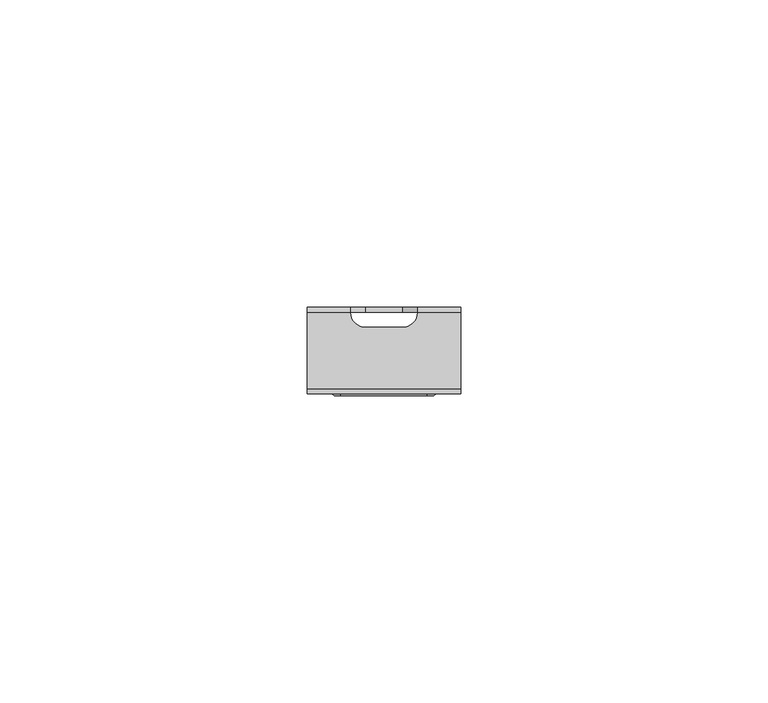
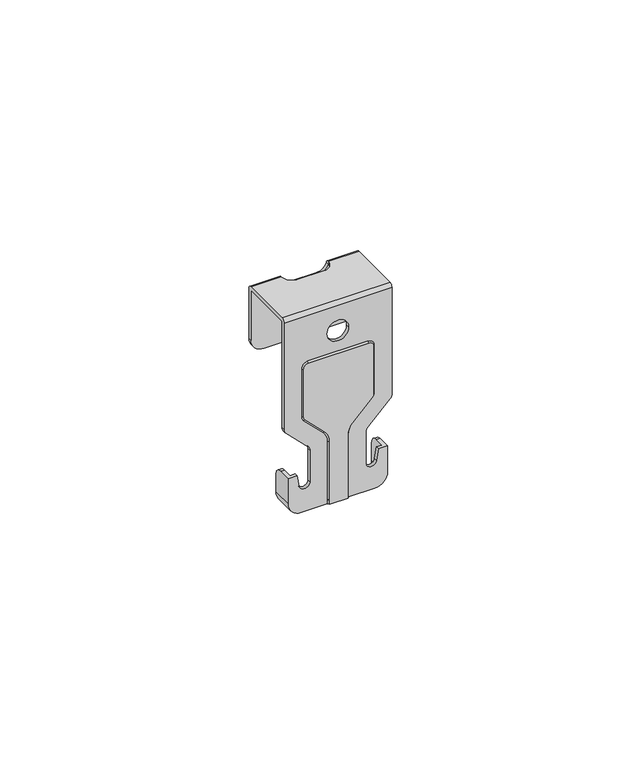
"""IFC4 building model written with IfcOpenShell, lengths in millimetres: proxy geometry."""

from ifc_helpers import new_model, si_unit, frame, origin, place, context, project, spatial, polyline, circle_curve, source, transform, mapped, element, save
from ifc_brep_helpers import plane_surface, cylinder_surface, revolved_surface, advanced_brep


def mechanical_equipment_062a8888(model_context):
    return source(origin(), model_context, "Body", "AdvancedBrep", [
        advanced_brep(
        [(12.5, 7.05, 38.0), (12.5, 6.25, 38.8), (12.5, -6.25, 38.8), (12.5, -7.05, 38.0), (12.5, -7.05, 11.9213203), (12.5, -6.25, 11.9213203), (12.5, -6.25, 38.0), (12.5, 6.25, 38.0), (12.5, 6.25, 25.7), (12.5, 7.05, 25.7), (-12.5, -7.05, 38.0), (-12.5, -6.25, 38.8), (-12.5, 6.25, 38.8), (-12.5, 7.05, 38.0), (-12.5, 7.05, 25.7), (-12.5, 6.25, 25.7), (-12.5, 6.25, 38.0), (-12.5, -6.25, 38.0), (-12.5, -6.25, 11.9213203), (-12.5, -7.05, 11.9213203), (-3.0, 3.75, 38.0), (3.0, 3.75, 38.0), (5.5, 6.25, 38.0), (-5.5, 6.25, 38.0), (5.5, 7.05, 38.0), (5.5, 6.25, 38.8), (-5.5, 6.25, 38.8), (-5.5, 7.05, 38.0), (3.0, 3.75, 38.8), (-3.0, 3.75, 38.8), (9.5, 7.05, 22.7), (-9.5, 7.05, 22.7), (-3.0, 7.05, 36.3), (3.0, 7.05, 36.3), (-2.5, 7.05, 27.9), (2.5, 7.05, 27.9), (3.0, 6.25, 36.3), (-3.0, 6.25, 36.3), (-9.5, 6.25, 22.7), (9.5, 6.25, 22.7), (-2.5, 6.25, 27.9), (2.5, 6.25, 27.9), (12.0606602, -6.25, 10.8606602), (6.9393398, -6.25, 5.7393398), (6.5, -6.25, 4.6786797), (6.5, -6.25, -2.95), (8.9810097, -6.25, -3.1670602), (9.4512848, -6.25, -0.4999976), (10.7, -6.25, -0.4999976), (10.7, -6.25, -6.8), (8.5, -6.25, -9.0), (3.5, -6.25, -9.0), (3.5, -6.25, 5.5071068), (4.232233, -6.25, 7.2748737), (8.767767, -6.25, 11.8104076), (9.5, -6.25, 13.5781746), (9.5, -6.25, 25.3), (7.0, -6.25, 27.8), (-7.0, -6.25, 27.8), (-9.5, -6.25, 25.3), (-9.5, -6.25, 13.5781746), (-8.767767, -6.25, 11.8104076), (-4.232233, -6.25, 7.2748737), (-3.5, -6.25, 5.5071068), (-3.5, -6.25, -9.0), (-8.5, -6.25, -9.0), (-10.7, -6.25, -6.8), (-10.7, -6.25, -0.4999976), (-9.4512848, -6.25, -0.4999976), (-8.9810097, -6.25, -3.1670602), (-6.5, -6.25, -2.95), (-6.5, -6.25, 4.6786797), (-6.9393398, -6.25, 5.7393398), (-12.0606602, -6.25, 10.8606602), (-2.5, -6.25, 31.8), (2.5, -6.25, 31.8), (-12.0606602, -7.05, 10.8606602), (-6.9393398, -7.05, 5.7393398), (-6.5, -7.05, 4.6786797), (-6.5, -7.05, -2.95), (-8.9810097, -7.05, -3.1670602), (-9.4512848, -7.05, -0.4999976), (8.9810097, -7.05, -3.1670602), (9.4512848, -7.05, -0.4999976), (6.5, -7.05, -2.95), (2.5, -7.05, 31.8), (-2.5, -7.05, 31.8), (6.5, -7.05, 4.6786797), (6.9393398, -7.05, 5.7393398), (12.0606602, -7.05, 10.8606602), (-11.5, -7.05, -6.8), (-8.5, -7.05, -9.8), (-2.4818182, -7.05, -9.8), (-2.4818182, -7.05, 5.5071068), (-3.5122698, -7.05, 7.994837), (-8.0478037, -7.05, 12.5303709), (-8.4818182, -7.05, 13.5781746), (-8.4818182, -7.05, 25.3), (-7.0, -7.05, 26.7818182), (7.0, -7.05, 26.7818182), (8.4818182, -7.05, 25.3), (8.4818182, -7.05, 13.5781746), (8.0478037, -7.05, 12.5303709), (3.5122698, -7.05, 7.994837), (2.4818182, -7.05, 5.5071068), (2.4818182, -7.05, -9.8), (8.5, -7.05, -9.8), (11.5, -7.05, -6.8), (11.5, -7.05, -0.4999976), (-11.5, -7.05, -0.4999976), (-10.7, -2.05, -6.8), (-8.5, -2.05, -9.0), (8.5, -2.05, -9.0), (10.7, -2.05, -6.8), (10.7, -2.05, -2.4999976), (11.5, -2.05, -2.4999976), (11.5, -2.05, -6.8), (8.5, -2.05, -9.8), (-8.5, -2.05, -9.8), (-11.5, -2.05, -6.8), (-11.5, -2.05, -2.4999976), (-10.7, -2.05, -2.4999976), (-11.5, -6.25, -6.8), (2.1, -7.35, -9.8), (-2.1, -7.35, -9.8), (11.5, -6.25, -6.8), (11.5, -4.05, -0.4999976), (10.7, -4.05, -0.4999976), (-2.1, -7.05, -9.0), (2.1, -7.05, -9.0), (-10.7, -4.05, -0.4999976), (-11.5, -4.05, -0.4999976), (-2.1, -7.35, 5.5071068), (2.1, -7.35, 5.5071068), (3.2422836, -7.35, 8.2648232), (7.7778175, -7.35, 12.8003571), (8.1, -7.35, 13.5781746), (8.1, -7.35, 25.3), (7.0, -7.35, 26.4), (-7.0, -7.35, 26.4), (-8.1, -7.35, 25.3), (-8.1, -7.35, 13.5781746), (-7.7778175, -7.35, 12.8003571), (-3.2422836, -7.35, 8.2648232), (-2.1, -7.05, 5.5071068), (-3.2422836, -7.05, 8.2648232), (-7.7778175, -7.05, 12.8003571), (-8.1, -7.05, 13.5781746), (-8.1, -7.05, 25.3), (-7.0, -7.05, 26.4), (7.0, -7.05, 26.4), (8.1, -7.05, 25.3), (8.1, -7.05, 13.5781746), (7.7778175, -7.05, 12.8003571), (3.2422836, -7.05, 8.2648232), (2.1, -7.05, 5.5071068)],
        [
            (0, 1, circle_curve(frame((12.5, 6.25, 38.0), z_axis=(1.0, 0.0, 0.0), x_axis=(0.0, 1.0, 0.0)), 0.8)),
            (1, 2),
            (2, 3, circle_curve(frame((12.5, -6.25, 38.0), z_axis=(1.0, 0.0, 0.0), x_axis=(0.0, 1.0, 0.0)), 0.8)),
            (3, 4),
            (4, 5),
            (5, 6),
            (6, 7),
            (7, 8),
            (8, 9),
            (9, 0),
            (10, 11, circle_curve(frame((-12.5, -6.25, 38.0), z_axis=(-1.0, 0.0, 0.0), x_axis=(0.0, 1.0, 0.0)), 0.8)),
            (11, 12),
            (12, 13, circle_curve(frame((-12.5, 6.25, 38.0), z_axis=(-1.0, 0.0, 0.0), x_axis=(0.0, 1.0, 0.0)), 0.8)),
            (13, 14),
            (14, 15),
            (15, 16),
            (16, 17),
            (17, 18),
            (18, 19),
            (19, 10),
            (20, 21),
            (21, 22, circle_curve(frame((3.0, 6.25, 38.0), z_axis=(0.0, 0.0, 1.0), x_axis=(1.0, 0.0, 0.0)), 2.5)),
            (22, 7),
            (6, 17),
            (16, 23),
            (23, 20, circle_curve(frame((-3.0, 6.25, 38.0), z_axis=(0.0, 0.0, 1.0), x_axis=(1.0, 0.0, 0.0)), 2.5)),
            (0, 24),
            (24, 25, circle_curve(frame((5.5, 6.25, 38.0), z_axis=(1.0, 0.0, 0.0), x_axis=(0.0, 1.0, 0.0)), 0.8)),
            (25, 1),
            (12, 26),
            (26, 27, circle_curve(frame((-5.5, 6.25, 38.0), z_axis=(-1.0, 0.0, 0.0), x_axis=(0.0, 1.0, 0.0)), 0.8)),
            (27, 13),
            (25, 28, circle_curve(frame((3.0, 6.25, 38.8), z_axis=(0.0, 0.0, -1.0), x_axis=(1.0, 0.0, 0.0)), 2.5)),
            (28, 29),
            (29, 26, circle_curve(frame((-3.0, 6.25, 38.8), z_axis=(0.0, 0.0, -1.0), x_axis=(1.0, 0.0, 0.0)), 2.5)),
            (11, 2),
            (10, 3),
            (28, 21),
            (20, 29),
            (22, 25),
            (24, 22),
            (26, 23),
            (23, 27),
            (9, 30, circle_curve(frame((9.5, 7.05, 25.7), z_axis=(0.0, 1.0, 0.0), x_axis=(-1.0, 0.0, 0.0)), 3.0)),
            (30, 31),
            (31, 14, circle_curve(frame((-9.5, 7.05, 25.7), z_axis=(0.0, 1.0, 0.0), x_axis=(-1.0, 0.0, 0.0)), 3.0)),
            (27, 32, circle_curve(frame((-3.0, 7.05, 38.9882353), z_axis=(0.0, -1.0, 0.0), x_axis=(-1.0, 0.0, 0.0)), 2.6882353)),
            (32, 33),
            (33, 24, circle_curve(frame((3.0, 7.05, 38.9882353), z_axis=(0.0, -1.0, 0.0), x_axis=(-1.0, 0.0, 0.0)), 2.6882353)),
            (34, 35, circle_curve(frame((0.0, 7.05, 27.9), z_axis=(0.0, -1.0, 0.0), x_axis=(1.0, 0.0, 0.0)), 2.5)),
            (35, 34, circle_curve(frame((0.0, 7.05, 27.9), z_axis=(0.0, -1.0, 0.0), x_axis=(1.0, 0.0, 0.0)), 2.5)),
            (22, 36, circle_curve(frame((3.0, 6.25, 38.9882353), z_axis=(0.0, 1.0, 0.0), x_axis=(-1.0, 0.0, 0.0)), 2.6882353)),
            (36, 37),
            (37, 23, circle_curve(frame((-3.0, 6.25, 38.9882353), z_axis=(0.0, 1.0, 0.0), x_axis=(-1.0, 0.0, 0.0)), 2.6882353)),
            (15, 38, circle_curve(frame((-9.5, 6.25, 25.7), z_axis=(0.0, -1.0, 0.0), x_axis=(-1.0, 0.0, 0.0)), 3.0)),
            (38, 39),
            (39, 8, circle_curve(frame((9.5, 6.25, 25.7), z_axis=(0.0, -1.0, 0.0), x_axis=(-1.0, 0.0, 0.0)), 3.0)),
            (40, 41, circle_curve(frame((0.0, 6.25, 27.9), z_axis=(0.0, 1.0, 0.0), x_axis=(1.0, 0.0, 0.0)), 2.5)),
            (41, 40, circle_curve(frame((0.0, 6.25, 27.9), z_axis=(0.0, 1.0, 0.0), x_axis=(1.0, 0.0, 0.0)), 2.5)),
            (31, 38),
            (30, 39),
            (35, 41),
            (40, 34),
            (32, 37),
            (36, 33),
            (5, 42, circle_curve(frame((11.0, -6.25, 11.9213203), z_axis=(0.0, 1.0, 0.0), x_axis=(-1.0, 0.0, 0.0)), 1.5)),
            (42, 43),
            (43, 44, circle_curve(frame((8.0, -6.25, 4.6786797), z_axis=(0.0, -1.0, 0.0), x_axis=(-1.0, 0.0, 0.0)), 1.5)),
            (44, 45),
            (45, 46, circle_curve(frame((7.75, -6.25, -2.95), z_axis=(0.0, -1.0, 0.0), x_axis=(1.0, 0.0, 0.0)), 1.25)),
            (46, 47),
            (47, 48),
            (48, 49),
            (49, 50, circle_curve(frame((8.5, -6.25, -6.8), z_axis=(0.0, 1.0, 0.0), x_axis=(1.0, 0.0, 0.0)), 2.2)),
            (50, 51),
            (51, 52),
            (52, 53, circle_curve(frame((6.0, -6.25, 5.5071068), z_axis=(0.0, 1.0, 0.0), x_axis=(-1.0, 0.0, 0.0)), 2.5)),
            (53, 54),
            (54, 55, circle_curve(frame((7.0, -6.25, 13.5781746), z_axis=(0.0, -1.0, 0.0), x_axis=(0.707106781186543, 0.0, -0.7071067811865519)), 2.5)),
            (55, 56),
            (56, 57, circle_curve(frame((7.0, -6.25, 25.3), z_axis=(0.0, -1.0, 0.0), x_axis=(1.0, 0.0, 0.0)), 2.5)),
            (57, 58),
            (58, 59, circle_curve(frame((-7.0, -6.25, 25.3), z_axis=(0.0, -1.0, 0.0), x_axis=(0.0, 0.0, 1.0)), 2.5)),
            (59, 60),
            (60, 61, circle_curve(frame((-7.0, -6.25, 13.5781746), z_axis=(0.0, -1.0, 0.0), x_axis=(-1.0, 0.0, 0.0)), 2.5)),
            (61, 62),
            (62, 63, circle_curve(frame((-6.0, -6.25, 5.5071068), z_axis=(0.0, 1.0, 0.0), x_axis=(0.7071067811865474, 0.0, 0.7071067811865476)), 2.5)),
            (63, 64),
            (64, 65),
            (65, 66, circle_curve(frame((-8.5, -6.25, -6.8), z_axis=(0.0, 1.0, 0.0), x_axis=(1.0, 0.0, 0.0)), 2.2)),
            (66, 67),
            (67, 68),
            (68, 69),
            (69, 70, circle_curve(frame((-7.75, -6.25, -2.95), z_axis=(0.0, -1.0, 0.0), x_axis=(1.0, 0.0, 0.0)), 1.25)),
            (70, 71),
            (71, 72, circle_curve(frame((-8.0, -6.25, 4.6786797), z_axis=(0.0, -1.0, 0.0), x_axis=(1.0, 0.0, 0.0)), 1.5)),
            (72, 73),
            (73, 18, circle_curve(frame((-11.0, -6.25, 11.9213203), z_axis=(0.0, 1.0, 0.0), x_axis=(1.0, 0.0, 0.0)), 1.5)),
            (74, 75, circle_curve(frame((0.0, -6.25, 31.8), z_axis=(0.0, -1.0, 0.0), x_axis=(1.0, 0.0, 0.0)), 2.5)),
            (75, 74, circle_curve(frame((0.0, -6.25, 31.8), z_axis=(0.0, -1.0, 0.0), x_axis=(1.0, 0.0, 0.0)), 2.5)),
            (73, 76),
            (76, 19, circle_curve(frame((-11.0, -7.05, 11.9213203), z_axis=(0.0, 1.0, 0.0), x_axis=(1.0, 0.0, 0.0)), 1.5)),
            (72, 77),
            (77, 76),
            (71, 78),
            (78, 77, circle_curve(frame((-8.0, -7.05, 4.6786797), z_axis=(0.0, -1.0, 0.0), x_axis=(1.0, 0.0, 0.0)), 1.5)),
            (70, 79),
            (79, 78),
            (69, 80),
            (80, 79, circle_curve(frame((-7.75, -7.05, -2.95), z_axis=(0.0, -1.0, 0.0), x_axis=(1.0, 0.0, 0.0)), 1.25)),
            (68, 81),
            (81, 80),
            (46, 82),
            (82, 83),
            (83, 47),
            (45, 84),
            (84, 82, circle_curve(frame((7.75, -7.05, -2.95), z_axis=(0.0, -1.0, 0.0), x_axis=(1.0, 0.0, 0.0)), 1.25)),
            (75, 85),
            (85, 86, circle_curve(frame((0.0, -7.05, 31.8), z_axis=(0.0, -1.0, 0.0), x_axis=(1.0, 0.0, 0.0)), 2.5)),
            (86, 74),
            (86, 85, circle_curve(frame((0.0, -7.05, 31.8), z_axis=(0.0, -1.0, 0.0), x_axis=(1.0, 0.0, 0.0)), 2.5)),
            (44, 87),
            (87, 84),
            (43, 88),
            (88, 87, circle_curve(frame((8.0, -7.05, 4.6786797), z_axis=(0.0, -1.0, 0.0), x_axis=(-1.0, 0.0, 0.0)), 1.5)),
            (42, 89),
            (89, 88),
            (4, 89, circle_curve(frame((11.0, -7.05, 11.9213203), z_axis=(0.0, 1.0, 0.0), x_axis=(-1.0, 0.0, 0.0)), 1.5)),
            (90, 91, circle_curve(frame((-8.5, -7.05, -6.8), z_axis=(0.0, -1.0, 0.0), x_axis=(1.0, 0.0, 0.0)), 3.0)),
            (91, 92),
            (92, 93),
            (93, 94, circle_curve(frame((-6.0, -7.05, 5.5071068), z_axis=(0.0, -1.0, 0.0), x_axis=(0.7071067811865491, 0.0, 0.707106781186546)), 3.5181818)),
            (94, 95),
            (95, 96, circle_curve(frame((-7.0, -7.05, 13.5781746), z_axis=(0.0, 1.0, 0.0), x_axis=(-1.0, 0.0, 0.0)), 1.4818182)),
            (96, 97),
            (97, 98, circle_curve(frame((-7.0, -7.05, 25.3), z_axis=(0.0, 1.0, 0.0), x_axis=(0.0, 0.0, 1.0)), 1.4818182)),
            (98, 99),
            (99, 100, circle_curve(frame((7.0, -7.05, 25.3), z_axis=(0.0, 1.0, 0.0), x_axis=(1.0, 0.0, 0.0)), 1.4818182)),
            (100, 101),
            (101, 102, circle_curve(frame((7.0, -7.05, 13.5781746), z_axis=(0.0, 1.0, 0.0), x_axis=(0.7071067811865418, 0.0, -0.7071067811865532)), 1.4818182)),
            (102, 103),
            (103, 104, circle_curve(frame((6.0, -7.05, 5.5071068), z_axis=(0.0, -1.0, 0.0), x_axis=(-1.0, 0.0, 0.0)), 3.5181818)),
            (104, 105),
            (105, 106),
            (106, 107, circle_curve(frame((8.5, -7.05, -6.8), z_axis=(0.0, -1.0, 0.0), x_axis=(1.0, 0.0, 0.0)), 3.0)),
            (107, 108),
            (108, 83),
            (81, 109),
            (109, 90),
            (110, 111, circle_curve(frame((-8.5, -2.05, -6.8), z_axis=(0.0, -1.0, 0.0), x_axis=(1.0, 0.0, 0.0)), 2.2)),
            (111, 112),
            (112, 113, circle_curve(frame((8.5, -2.05, -6.8), z_axis=(0.0, -1.0, 0.0), x_axis=(1.0, 0.0, 0.0)), 2.2)),
            (113, 114),
            (114, 115),
            (115, 116),
            (116, 117, circle_curve(frame((8.5, -2.05, -6.8), z_axis=(0.0, 1.0, 0.0), x_axis=(1.0, 0.0, 0.0)), 3.0)),
            (117, 118),
            (118, 119, circle_curve(frame((-8.5, -2.05, -6.8), z_axis=(0.0, 1.0, 0.0), x_axis=(1.0, 0.0, 0.0)), 3.0)),
            (119, 120),
            (120, 121),
            (121, 110),
            (90, 122),
            (122, 119),
            (118, 91),
            (117, 106),
            (105, 123),
            (123, 124),
            (124, 92),
            (116, 125),
            (125, 107),
            (115, 126, circle_curve(frame((11.5, -4.05, -2.4999976), z_axis=(1.0, 0.0, 0.0), x_axis=(0.0, 1.0, 0.0)), 2.0)),
            (126, 108),
            (126, 127),
            (127, 48),
            (113, 49),
            (127, 114, circle_curve(frame((10.7, -4.05, -2.4999976), z_axis=(-1.0, 0.0, 0.0), x_axis=(0.0, 1.0, 0.0)), 2.0)),
            (112, 50),
            (111, 65),
            (64, 128),
            (128, 129),
            (129, 51),
            (110, 66),
            (121, 130, circle_curve(frame((-10.7, -4.05, -2.4999976), z_axis=(1.0, 0.0, 0.0), x_axis=(0.0, 1.0, 0.0)), 2.0)),
            (130, 67),
            (130, 131),
            (131, 109),
            (131, 120, circle_curve(frame((-11.5, -4.05, -2.4999976), z_axis=(-1.0, 0.0, 0.0), x_axis=(0.0, 1.0, 0.0)), 2.0)),
            (132, 124),
            (123, 133),
            (133, 134, circle_curve(frame((6.0, -7.35, 5.5071068), z_axis=(0.0, 1.0, 0.0), x_axis=(-1.0, 0.0, 0.0)), 3.9)),
            (134, 135),
            (135, 136, circle_curve(frame((7.0, -7.35, 13.5781746), z_axis=(0.0, -1.0, 0.0), x_axis=(0.7071067811865418, 0.0, -0.7071067811865532)), 1.1)),
            (136, 137),
            (137, 138, circle_curve(frame((7.0, -7.35, 25.3), z_axis=(0.0, -1.0, 0.0), x_axis=(1.0, 0.0, 0.0)), 1.1)),
            (138, 139),
            (139, 140, circle_curve(frame((-7.0, -7.35, 25.3), z_axis=(0.0, -1.0, 0.0), x_axis=(0.0, 0.0, 1.0)), 1.1)),
            (140, 141),
            (141, 142, circle_curve(frame((-7.0, -7.35, 13.5781746), z_axis=(0.0, -1.0, 0.0), x_axis=(-1.0, 0.0, 0.0)), 1.1)),
            (142, 143),
            (143, 132, circle_curve(frame((-6.0, -7.35, 5.5071068), z_axis=(0.0, 1.0, 0.0), x_axis=(0.7071067811865491, 0.0, 0.707106781186546)), 3.9)),
            (132, 93),
            (104, 133),
            (103, 134),
            (102, 135),
            (101, 136),
            (100, 137),
            (99, 138),
            (98, 139),
            (97, 140),
            (96, 141),
            (95, 142),
            (94, 143),
            (144, 145, circle_curve(frame((-6.0, -7.05, 5.5071068), z_axis=(0.0, -1.0, 0.0), x_axis=(0.7071067811865474, 0.0, 0.7071067811865476)), 3.9)),
            (145, 146),
            (146, 147, circle_curve(frame((-7.0, -7.05, 13.5781746), z_axis=(0.0, 1.0, 0.0), x_axis=(-1.0, 0.0, 0.0)), 1.1)),
            (147, 148),
            (148, 149, circle_curve(frame((-7.0, -7.05, 25.3), z_axis=(0.0, 1.0, 0.0), x_axis=(0.0, 0.0, 1.0)), 1.1)),
            (149, 150),
            (150, 151, circle_curve(frame((7.0, -7.05, 25.3), z_axis=(0.0, 1.0, 0.0), x_axis=(1.0, 0.0, 0.0)), 1.1)),
            (151, 152),
            (152, 153, circle_curve(frame((7.0, -7.05, 13.5781746), z_axis=(0.0, 1.0, 0.0), x_axis=(0.707106781186543, 0.0, -0.7071067811865519)), 1.1)),
            (153, 154),
            (154, 155, circle_curve(frame((6.0, -7.05, 5.5071068), z_axis=(0.0, -1.0, 0.0), x_axis=(-1.0, 0.0, 0.0)), 3.9)),
            (155, 129),
            (128, 144),
            (63, 144),
            (155, 52),
            (154, 53),
            (153, 54),
            (152, 55),
            (151, 56),
            (150, 57),
            (149, 58),
            (148, 59),
            (147, 60),
            (146, 61),
            (145, 62),
        ],
        [
            plane_surface(frame((12.5, 7.05, 38.0), z_axis=(1.0, 0.0, 0.0), x_axis=(0.0, 0.0, 1.0))),
            plane_surface(frame((-12.5, 7.05, 38.0), z_axis=(-1.0, 0.0, 0.0), x_axis=(0.0, 0.0, -1.0))),
            plane_surface(frame((12.5, -7.05, 38.0), z_axis=(0.0, 0.0, -1.0), x_axis=(-1.0, 0.0, 0.0))),
            cylinder_surface(frame((-12.5, 6.25, 38.0), z_axis=(1.0, 0.0, 0.0), x_axis=(0.0, 1.0, 0.0)), 0.8),
            plane_surface(frame((12.5, 6.25, 38.8), z_axis=(0.0, 0.0, 1.0), x_axis=(-1.0, 0.0, 0.0))),
            cylinder_surface(frame((-12.5, -6.25, 38.0), z_axis=(1.0, 0.0, 0.0), x_axis=(0.0, 1.0, 0.0)), 0.8),
            plane_surface(frame((-3.0, 3.75, 38.8), z_axis=(0.0, 1.0, 0.0), x_axis=(0.0, 0.0, -1.0))),
            plane_surface(frame((5.5, 6.25, 38.8), z_axis=(-1.0, 0.0, 0.0), x_axis=(0.0, 0.0, -1.0))),
            plane_surface(frame((-5.5, 7.05, 38.8), z_axis=(1.0, 0.0, 0.0), x_axis=(0.0, 0.0, -1.0))),
            revolved_surface(polyline([(5.5, 6.25, 38.8), (5.5, 6.25, 38.0)]), (3.0, 6.25, 38.0), (0.0, 0.0, 1.0)),
            revolved_surface(polyline([(-0.5, 6.25, 38.8), (-0.5, 6.25, 38.0)]), (-3.0, 6.25, 38.0), (0.0, 0.0, 1.0)),
            plane_surface(frame((0.3117647, 7.05, 38.9882353), z_axis=(0.0, 1.0, 0.0), x_axis=(0.0, 0.0, -1.0))),
            plane_surface(frame((0.3117647, 6.25, 38.9882353), z_axis=(0.0, -1.0, 0.0), x_axis=(0.0, 0.0, 1.0))),
            cylinder_surface(frame((-9.5, 7.05, 25.7), z_axis=(0.0, -1.0, 0.0), x_axis=(-1.0, 0.0, 0.0)), 3.0),
            plane_surface(frame((-9.5, 6.25, 22.7), z_axis=(0.0, 0.0, -1.0), x_axis=(0.0, 1.0, 0.0))),
            cylinder_surface(frame((9.5, 7.05, 25.7), z_axis=(0.0, -1.0, 0.0), x_axis=(-1.0, 0.0, 0.0)), 3.0),
            revolved_surface(polyline([(2.5, 7.050000000000001, 27.9), (2.5, 6.25, 27.9)]), (0.0, -6.25, 27.9), (0.0, 1.0, 0.0)),
            plane_surface(frame((3.0, 6.25, 36.3), z_axis=(0.0, 0.0, 1.0), x_axis=(0.0, 1.0, 0.0))),
            revolved_surface(polyline([(0.3117646999999999, 7.05, 38.9882353), (0.3117646999999999, 6.25, 38.9882353)]), (3.0, 7.05, 38.9882353), (0.0, 1.0, 0.0)),
            revolved_surface(polyline([(-5.6882353000000005, 7.05, 38.9882353), (-5.6882353000000005, 6.25, 38.9882353)]), (-3.0, 7.05, 38.9882353), (0.0, 1.0, 0.0)),
            plane_surface(frame((-12.5, -6.25, 11.9213203), z_axis=(0.0, 1.0, 0.0), x_axis=(0.0, 0.0, 1.0))),
            cylinder_surface(frame((-11.0, -6.25, 11.9213203), z_axis=(0.0, -1.0, 0.0), x_axis=(1.0, 0.0, 0.0)), 1.5),
            plane_surface(frame((-12.0606602, -7.05, 10.8606602), z_axis=(-0.7071067811865491, 0.0, -0.7071067811865459), x_axis=(0.0, 1.0, 0.0))),
            revolved_surface(polyline([(-6.5, -6.25, 4.6786797), (-6.5, -7.05, 4.6786797)]), (-8.0, -6.25, 4.6786797), (0.0, 1.0, 0.0)),
            plane_surface(frame((-6.5, -7.05, 4.6786797), z_axis=(-1.0, 0.0, 0.0), x_axis=(0.0, 1.0, 0.0))),
            revolved_surface(polyline([(-6.5, -6.25, -2.95), (-6.5, -7.05, -2.95)]), (-7.75, -6.25, -2.95), (0.0, 1.0, 0.0)),
            plane_surface(frame((-8.9810097, -7.05, -3.1670602), z_axis=(0.9848077530122084, 0.0, 0.1736481776669288), x_axis=(0.0, 1.0, 0.0))),
            plane_surface(frame((9.4512848, -7.05, -0.4999976), z_axis=(-0.9848077530122078, 0.0, 0.17364817766693183), x_axis=(0.0, 1.0, 0.0))),
            revolved_surface(polyline([(9.0, -6.25, -2.95), (9.0, -7.05, -2.95)]), (7.75, -6.25, -2.95), (0.0, 1.0, 0.0)),
            revolved_surface(polyline([(2.5, -6.25, 31.8), (2.5, -7.05, 31.8)]), (0.0, -6.25, 31.8), (0.0, 1.0, 0.0)),
            plane_surface(frame((6.5, -7.05, -2.95), z_axis=(1.0, 0.0, 0.0), x_axis=(0.0, 1.0, 0.0))),
            revolved_surface(polyline([(6.5, -6.25, 4.6786797), (6.5, -7.05, 4.6786797)]), (8.0, -6.25, 4.6786797), (0.0, 1.0, 0.0)),
            plane_surface(frame((6.9393398, -7.05, 5.7393398), z_axis=(0.707106781186549, 0.0, -0.7071067811865461), x_axis=(0.0, 1.0, 0.0))),
            cylinder_surface(frame((11.0, -6.25, 11.9213203), z_axis=(0.0, -1.0, 0.0), x_axis=(-1.0, 0.0, 0.0)), 1.5),
            plane_surface(frame((-5.5, -7.05, -6.8), z_axis=(0.0, -1.0, 0.0), x_axis=(0.0, 0.0, 1.0))),
            plane_surface(frame((-5.5, -2.05, -6.8), z_axis=(0.0, 1.0, 0.0), x_axis=(0.0, 0.0, -1.0))),
            cylinder_surface(frame((-8.5, -2.05, -6.8), z_axis=(0.0, -1.0, 0.0), x_axis=(1.0, 0.0, 0.0)), 3.0),
            plane_surface(frame((-8.5, -7.05, -9.8), z_axis=(0.0, 0.0, -1.0), x_axis=(0.0, 1.0, 0.0))),
            cylinder_surface(frame((8.5, -2.05, -6.8), z_axis=(0.0, -1.0, 0.0), x_axis=(1.0, 0.0, 0.0)), 3.0),
            plane_surface(frame((11.5, -7.05, -6.8), z_axis=(1.0, 0.0, 0.0), x_axis=(0.0, 1.0, 0.0))),
            plane_surface(frame((11.5, -7.05, -0.4999976), z_axis=(0.0, 0.0, 1.0), x_axis=(0.0, 1.0, 0.0))),
            plane_surface(frame((10.7, -7.05, -0.4999976), z_axis=(-1.0, 0.0, 0.0), x_axis=(0.0, 1.0, 0.0))),
            revolved_surface(polyline([(10.7, -2.05, -6.8), (10.7, -6.25, -6.8)]), (8.5, -2.05, -6.8), (0.0, 1.0, 0.0)),
            plane_surface(frame((8.5, -7.05, -9.0), z_axis=(0.0, 0.0, 1.0), x_axis=(0.0, 1.0, 0.0))),
            revolved_surface(polyline([(-6.3, -2.05, -6.8), (-6.3, -6.25, -6.8)]), (-8.5, -2.05, -6.8), (0.0, 1.0, 0.0)),
            plane_surface(frame((-10.7, -7.05, -6.8), z_axis=(1.0, 0.0, 0.0), x_axis=(0.0, 1.0, 0.0))),
            plane_surface(frame((-10.7, -7.05, -0.4999976), z_axis=(0.0, 0.0, 1.0), x_axis=(0.0, 1.0, 0.0))),
            plane_surface(frame((-11.5, -7.05, -0.4999976), z_axis=(-1.0, 0.0, 0.0), x_axis=(0.0, 1.0, 0.0))),
            plane_surface(frame((0.0, -7.35, 11.7214945), z_axis=(0.0, -1.0, 0.0), x_axis=(0.0, 0.0, -1.0))),
            plane_surface(frame((-3.5, -6.25, -2.1464466), z_axis=(-0.6178215519318984, -0.7863183388224269, 0.0), x_axis=(0.0, 0.0, -1.0))),
            plane_surface(frame((3.5, -6.25, -2.1464466), z_axis=(0.6178215519319026, -0.7863183388224234, 0.0), x_axis=(0.0, 0.0, 1.0))),
            revolved_surface(polyline([(3.2422836, -7.35, 8.2648232), (3.512269822237698, -7.05, 7.9948369777623025)]), (6.0, -4.2857143, 5.5071068), (0.0, -1.0, 0.0)),
            plane_surface(frame((6.5, -6.25, 9.5426407), z_axis=(0.4368658089342469, -0.7863183388224213, -0.4368658089342476), x_axis=(0.7071067811865481, 0.0, 0.707106781186547))),
            revolved_surface(polyline([(7.777817467239433, -7.35, 12.800357132760567), (8.0478037, -7.05, 12.5303709)]), (7.0, -8.2142857, 13.5781746), (0.0, 1.0, 0.0)),
            plane_surface(frame((9.5, -6.25, 19.4390873), z_axis=(0.6178215519318939, -0.7863183388224303, 0.0), x_axis=(0.0, 0.0, 1.0))),
            revolved_surface(polyline([(8.100000008812046, -7.35, 25.3), (8.4818182, -7.05, 25.3)]), (7.0, -8.2142857, 25.3), (0.0, 1.0, 0.0)),
            plane_surface(frame((0.0, -6.25, 27.8), z_axis=(0.0, -0.7863183388224196, 0.6178215519319075), x_axis=(-1.0, 0.0, 0.0))),
            revolved_surface(polyline([(-7.0, -7.35, 26.400000008812047), (-7.0, -7.05, 26.7818182)]), (-7.0, -8.2142857, 25.3), (0.0, 1.0, 0.0)),
            plane_surface(frame((-9.5, -6.25, 19.4390873), z_axis=(-0.6178215519319037, -0.7863183388224225, 0.0), x_axis=(0.0, 0.0, -1.0))),
            revolved_surface(polyline([(-8.100000008812046, -7.35, 13.5781746), (-8.4818182, -7.05, 13.5781746)]), (-7.0, -8.2142857, 13.5781746), (0.0, 1.0, 0.0)),
            plane_surface(frame((-6.5, -6.25, 9.5426407), z_axis=(-0.43686580893424143, -0.7863183388224285, -0.43686580893423954), x_axis=(0.707106781186546, 0.0, -0.707106781186549))),
            revolved_surface(polyline([(-2.1, -7.35, 5.5071068), (-2.48181818359822, -7.05, 5.5071068)]), (-6.0, -4.2857143, 5.5071068), (0.0, -1.0, 0.0)),
            plane_surface(frame((0.0, -7.05, 11.8357802), z_axis=(0.0, 1.0, 0.0), x_axis=(0.0, 0.0, -1.0))),
            plane_surface(frame((-3.5, -6.25, -1.7464466), z_axis=(0.49613893835682854, 0.8682431421244623, 0.0), x_axis=(0.0, 0.0, -1.0))),
            plane_surface(frame((3.5, -6.25, -1.7464466), z_axis=(-0.49613893835683326, 0.8682431421244596, 0.0), x_axis=(0.0, 0.0, 1.0))),
            revolved_surface(polyline([(3.5000000179487176, -6.25, 5.5071068), (2.1, -7.05, 5.5071068)]), (6.0, -4.8214286, 5.5071068), (0.0, -1.0, 0.0)),
            plane_surface(frame((6.5, -6.25, 9.5426407), z_axis=(-0.3508232077228124, 0.8682431421244585, 0.35082320772281306), x_axis=(0.7071067811865482, 0.0, 0.7071067811865469))),
            revolved_surface(polyline([(9.5, -6.25, 13.5781746), (8.099999971999999, -7.05, 13.5781746)]), (7.0, -7.6785714, 13.5781746), (0.0, 1.0, 0.0)),
            plane_surface(frame((9.5, -6.25, 19.4390873), z_axis=(-0.49613893835682393, 0.8682431421244649, 0.0), x_axis=(0.0, 0.0, 1.0))),
            revolved_surface(polyline([(7.0, -6.25, 27.8), (7.0, -7.05, 26.399999972)]), (7.0, -7.6785714, 25.3), (0.0, 1.0, 0.0)),
            plane_surface(frame((0.0, -6.25, 27.8), z_axis=(0.0, 0.8682431421244571, -0.4961389383568375), x_axis=(-1.0, 0.0, 0.0))),
            revolved_surface(polyline([(-9.5, -6.25, 25.3), (-8.099999971999999, -7.05, 25.3)]), (-7.0, -7.6785714, 25.3), (0.0, 1.0, 0.0)),
            plane_surface(frame((-9.5, -6.25, 19.4390873), z_axis=(0.49613893835683387, 0.8682431421244592, 0.0), x_axis=(0.0, 0.0, -1.0))),
            revolved_surface(polyline([(-8.767767, -6.25, 11.8104076), (-7.777817460201009, -7.05, 12.80035713979899)]), (-7.0, -7.6785714, 13.5781746), (0.0, 1.0, 0.0)),
            plane_surface(frame((-6.5, -6.25, 9.5426407), z_axis=(0.35082320772280734, 0.8682431421244635, 0.3508232077228056), x_axis=(0.7071067811865458, 0.0, -0.7071067811865492))),
            revolved_surface(polyline([(-4.232233089614737, -6.25, 7.274873710385263), (-3.2422836, -7.05, 8.2648232)]), (-6.0, -4.8214286, 5.5071068), (0.0, -1.0, 0.0)),
            cylinder_surface(frame((-11.5, -4.05, -2.4999976), z_axis=(-1.0, 0.0, 0.0), x_axis=(0.0, 1.0, 0.0)), 2.0),
            cylinder_surface(frame((10.7, -4.05, -2.4999976), z_axis=(-1.0, 0.0, 0.0), x_axis=(0.0, 1.0, 0.0)), 2.0),
        ],
        [
            (0, [[1, 2, 3, 4, 5, 6, 7, 8, 9, 10]]),
            (1, [[11, 12, 13, 14, 15, 16, 17, 18, 19, 20]]),
            (2, [[21, 22, 23, -7, 24, -17, 25, 26]]),
            (3, [[-1, 27, 28, 29]]),
            (3, [[-13, 30, 31, 32]]),
            (4, [[-2, -29, 33, 34, 35, -30, -12, 36]]),
            (5, [[-3, -36, -11, 37]]),
            (6, [[38, -21, 39, -34]]),
            (7, [[40, -28, 41]]),
            (8, [[42, 43, -31]]),
            (9, [[-38, -33, -40, -22]]),
            (10, [[-39, -26, -42, -35]]),
            (11, [[-10, 44, 45, 46, -14, -32, 47, 48, 49, -27], [50, 51]]),
            (12, [[52, 53, 54, -25, -16, 55, 56, 57, -8, -23], [58, 59]]),
            (13, [[-46, 60, -55, -15]]),
            (14, [[-45, 61, -56, -60]]),
            (15, [[-44, -9, -57, -61]]),
            (16, [[-51, 62, -58, 63]]),
            (16, [[-50, -63, -59, -62]]),
            (17, [[-48, 64, -53, 65]]),
            (18, [[-49, -65, -52, -41]]),
            (19, [[-47, -43, -54, -64]]),
            (20, [[-6, 66, 67, 68, 69, 70, 71, 72, 73, 74, 75, 76, 77, 78, 79, 80, 81, 82, 83, 84, 85, 86, 87, 88, 89, 90, 91, 92, 93, 94, 95, 96, 97, 98, -18, -24], [99, 100]]),
            (21, [[-98, 101, 102, -19]]),
            (22, [[-97, 103, 104, -101]]),
            (23, [[-96, 105, 106, -103]]),
            (24, [[-95, 107, 108, -105]]),
            (25, [[-94, 109, 110, -107]]),
            (26, [[-93, 111, 112, -109]]),
            (27, [[-71, 113, 114, 115]]),
            (28, [[-70, 116, 117, -113]]),
            (29, [[-100, 118, 119, 120]]),
            (29, [[-99, -120, 121, -118]]),
            (30, [[-69, 122, 123, -116]]),
            (31, [[-68, 124, 125, -122]]),
            (32, [[-67, 126, 127, -124]]),
            (33, [[-66, -5, 128, -126]]),
            (34, [[129, 130, 131, 132, 133, 134, 135, 136, 137, 138, 139, 140, 141, 142, 143, 144, 145, 146, 147, -114, -117, -123, -125, -127, -128, -4, -37, -20, -102, -104, -106, -108, -110, -112, 148, 149], [-119, -121]]),
            (35, [[150, 151, 152, 153, 154, 155, 156, 157, 158, 159, 160, 161]]),
            (36, [[-129, 162, 163, -158, 164]]),
            (37, [[-157, 165, -144, 166, 167, 168, -130, -164]]),
            (38, [[-145, -165, -156, 169, 170]]),
            (39, [[-146, -170, -169, -155, 171, 172]]),
            (40, [[173, 174, -72, -115, -147, -172]]),
            (41, [[-153, 175, -73, -174, 176]]),
            (42, [[-152, 177, -74, -175]]),
            (43, [[-151, 178, -89, 179, 180, 181, -75, -177]]),
            (44, [[-150, 182, -90, -178]]),
            (45, [[-161, 183, 184, -91, -182]]),
            (46, [[185, 186, -148, -111, -92, -184]]),
            (47, [[-149, -186, 187, -159, -163, -162]]),
            (48, [[188, -167, 189, 190, 191, 192, 193, 194, 195, 196, 197, 198, 199, 200]]),
            (49, [[-188, 201, -131, -168]]),
            (50, [[-189, -166, -143, 202]]),
            (51, [[-190, -202, -142, 203]]),
            (52, [[-191, -203, -141, 204]]),
            (53, [[-192, -204, -140, 205]]),
            (54, [[-193, -205, -139, 206]]),
            (55, [[-194, -206, -138, 207]]),
            (56, [[-195, -207, -137, 208]]),
            (57, [[-196, -208, -136, 209]]),
            (58, [[-197, -209, -135, 210]]),
            (59, [[-198, -210, -134, 211]]),
            (60, [[-199, -211, -133, 212]]),
            (61, [[-200, -212, -132, -201]]),
            (62, [[213, 214, 215, 216, 217, 218, 219, 220, 221, 222, 223, 224, -180, 225]]),
            (63, [[-225, -179, -88, 226]]),
            (64, [[-224, 227, -76, -181]]),
            (65, [[-223, 228, -77, -227]]),
            (66, [[-222, 229, -78, -228]]),
            (67, [[-221, 230, -79, -229]]),
            (68, [[-220, 231, -80, -230]]),
            (69, [[-219, 232, -81, -231]]),
            (70, [[-218, 233, -82, -232]]),
            (71, [[-217, 234, -83, -233]]),
            (72, [[-216, 235, -84, -234]]),
            (73, [[-215, 236, -85, -235]]),
            (74, [[-214, 237, -86, -236]]),
            (75, [[-213, -226, -87, -237]]),
            (76, [[-160, -187, -185, -183]]),
            (77, [[-154, -176, -173, -171]]),
        ],
    ),
    ])


if __name__ == "__main__":
    model = new_model("IFC4")
    model_context = context("Model", 3, world=origin())
    ifc_project = project(units=[si_unit("LENGTHUNIT", "METRE", prefix="MILLI")], contexts=[model_context])
    site = spatial("IfcSite", under=ifc_project)
    building = spatial("IfcBuilding", under=site)
    placement = place(None, origin())
    mechanical_equipment_shape = mechanical_equipment_062a8888(model_context)
    element("IfcBuildingElementProxy", 1, Name="Mechanical Equipment", at=placement, inside=building, context=model_context, shape_type="MappedRepresentation", body=[
        mapped(mechanical_equipment_shape, transform((0.0, 0.0, 0.0), x_axis=(1.0, 0.0, 0.0), y_axis=(0.0, 1.0, 0.0), z_axis=(0.0, 0.0, 1.0))),
    ])
    save(model, "model.ifc")
